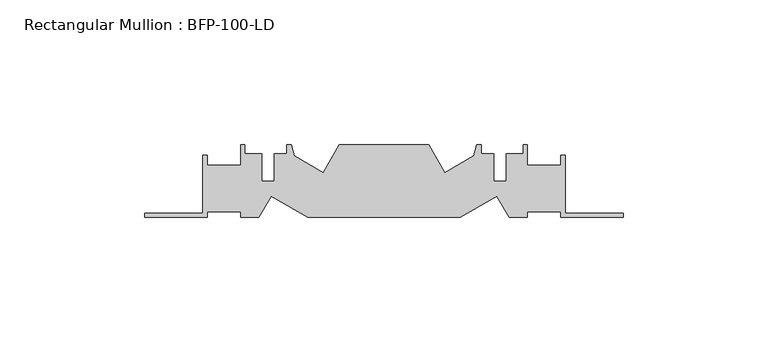
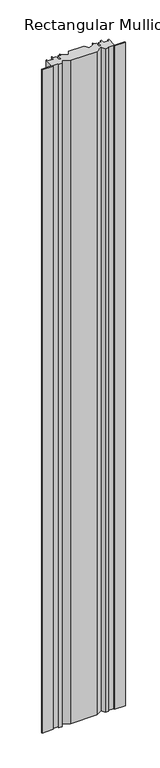
"""IFC4 building model written with IfcOpenShell, lengths in millimetres: member geometry, Rectangular Mullion : BFP-100-LD."""

from ifc_helpers import new_model, si_unit, frame, origin, place, context, project, spatial, polyline, outline, extrude, source, transform, mapped, element, save


def rectangular_mullion_bfp_100_ld_6cacad89(model_context):
    return source(origin(), model_context, "Body", "SweptSolid", [
        extrude(outline(polyline([(38.9790017, 27.3331761), (26.2775681, 20.0), (-26.2775681, 20.0), (-38.9790017, 27.3331761), (-43.2128129, 20.0), (-49.5, 20.0), (-49.5, 22.0), (-61.0, 22.0), (-61.0, 20.0), (-82.5, 20.0), (-82.5, 21.5), (-62.5, 21.5), (-62.5, 41.5), (-61.0, 41.5), (-61.0, 38.0), (-49.5, 38.0), (-49.5, 45.0), (-48.0, 45.0), (-48.0, 42.0), (-42.1, 42.0), (-42.1, 32.4), (-37.9, 32.4), (-37.9, 42.0), (-33.5, 42.0), (-33.5, 45.0), (-32.0, 45.0), (-30.9790017, 41.1895826), (-21.0197096, 35.4395826), (-15.5, 45.0), (15.5, 45.0), (21.0197096, 35.4395826), (30.9790017, 41.1895826), (32.0, 45.0), (33.5, 45.0), (33.5, 42.0), (37.9, 42.0), (37.9, 32.4), (42.1, 32.4), (42.1, 42.0), (48.0, 42.0), (48.0, 45.0), (49.5, 45.0), (49.5, 38.0), (61.0, 38.0), (61.0, 41.5), (62.5, 41.5), (62.5, 21.5), (82.5, 21.5), (82.5, 20.0), (61.0, 20.0), (61.0, 22.0), (49.5, 22.0), (49.5, 20.0), (43.2128129, 20.0), (38.9790017, 27.3331761)])), frame((0.0, 0.0, -1389.0), z_axis=(0.0, 0.0, 1.0), x_axis=(1.0, 0.0, 0.0)), (0.0, 0.0, 1.0), 1389.0),
    ])


if __name__ == "__main__":
    model = new_model("IFC4")
    model_context = context("Model", 3, world=origin())
    ifc_project = project(units=[si_unit("LENGTHUNIT", "METRE", prefix="MILLI")], contexts=[model_context])
    site = spatial("IfcSite", under=ifc_project)
    building = spatial("IfcBuilding", under=site)
    placement = place(None, origin())
    rectangular_mullion_bfp_100_ld_shape = rectangular_mullion_bfp_100_ld_6cacad89(model_context)
    element("IfcMember", 1, ObjectType="Rectangular Mullion : BFP-100-LD", at=placement, inside=building, context=model_context, shape_type="MappedRepresentation", body=[
        mapped(rectangular_mullion_bfp_100_ld_shape, transform((0.0, 0.0, 0.0), x_axis=(1.0, 0.0, 0.0), y_axis=(0.0, 1.0, 0.0), z_axis=(0.0, 0.0, 1.0))),
    ])
    save(model, "model.ifc")
